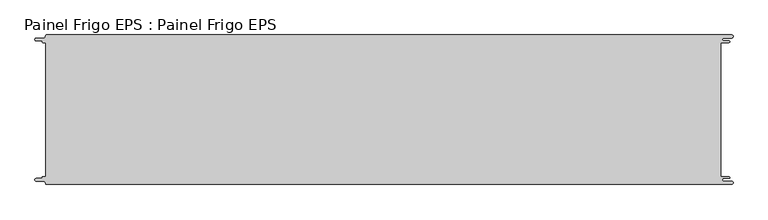
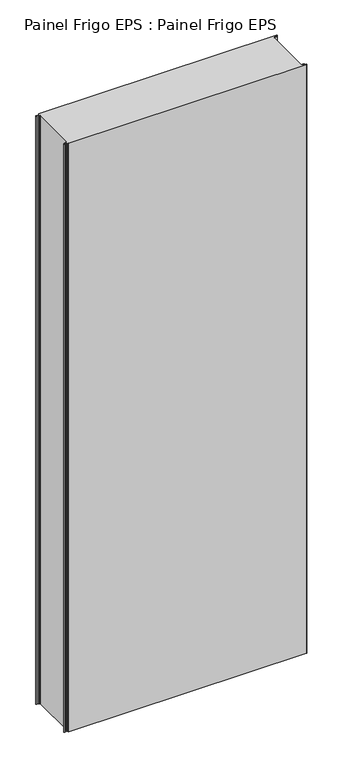
"""IFC4 building model written with IfcOpenShell, lengths in millimetres: proxy geometry, Painel Frigo EPS : Painel Frigo EPS."""

from ifc_helpers import new_model, si_unit, frame, origin, place, context, project, spatial, polyline, circle_curve, source, transform, mapped, element, save
from ifc_brep_helpers import plane_surface, cylinder_surface, revolved_surface, advanced_brep


def painel_frigo_eps_painel_frigo_eps_72b69885(model_context):
    return source(origin(), model_context, "Body", "AdvancedBrep", [
        advanced_brep(
        [(-579.5093748, 112.3, 3000.0), (-574.2218362, 112.3, 3000.0), (-574.2218362, -112.2999995, 3000.0), (-579.5093748, -112.2999995, 3000.0), (-580.1093753, -112.9, 3000.0), (-580.1093753, -113.7085185, 3000.0), (-581.5093753, -115.1085185, 3000.0), (-590.4875, -115.1085185, 3000.0), (-590.4875, -119.5085185, 3000.0), (-578.471875, -119.5085185, 3000.0), (-574.921875, -123.0585185, 3000.0), (-572.971875, -125.0, 3000.0), (572.284375, -125.0, 3000.0), (572.284375, -119.725, 3000.0), (559.378125, -119.725, 3000.0), (559.378125, -114.875, 3000.0), (568.0406253, -114.875, 3000.0), (568.0406253, -112.3, 3000.0), (554.1906253, -112.3, 3000.0), (554.1906253, 112.3, 3000.0), (568.0406253, 112.3, 3000.0), (568.0406253, 114.875, 3000.0), (559.378125, 114.875, 3000.0), (559.378125, 119.725, 3000.0), (572.284375, 119.725, 3000.0), (572.284375, 125.0, 3000.0), (-572.971875, 125.0, 3000.0), (-574.921875, 123.05, 3000.0), (-578.471875, 119.5085185, 3000.0), (-590.4875, 119.5085185, 3000.0), (-590.4875, 115.1085187, 3000.0), (-581.5093751, 115.1085187, 3000.0), (-580.1093748, 113.7085184, 3000.0), (-580.1093748, 112.9, 3000.0), (-579.5093748, 112.3, 0.0), (-580.1093748, 112.9, 0.0), (-580.1093748, 113.7085184, 0.0), (-581.5093751, 115.1085187, 0.0), (-590.4875, 115.1085187, 0.0), (-590.4875, 119.5085185, 0.0), (-578.471875, 119.5085185, 0.0), (-574.921875, 123.0585185, 0.0), (-572.971875, 125.0, 0.0), (572.284375, 125.0, 0.0), (572.284375, 119.725, 0.0), (559.378125, 119.725, 0.0), (559.378125, 114.875, 0.0), (568.0406253, 114.875, 0.0), (568.0406253, 112.3, 0.0), (554.1906253, 112.3, 0.0), (554.1906253, -112.3, 0.0), (568.0406253, -112.3, 0.0), (568.0406253, -114.875, 0.0), (559.378125, -114.875, 0.0), (559.378125, -119.725, 0.0), (572.284375, -119.725, 0.0), (572.284375, -125.0, 0.0), (-572.971875, -125.0, 0.0), (-574.921875, -123.05, 0.0), (-578.471875, -119.5085185, 0.0), (-590.4875, -119.5085185, 0.0), (-590.4875, -115.1085185, 0.0), (-581.5093753, -115.1085185, 0.0), (-580.1093753, -113.7085185, 0.0), (-580.1093753, -112.9, 0.0), (-579.5093748, -112.2999995, 0.0), (-574.2218362, -112.2999995, 0.0), (-574.2218362, 112.3, 0.0)],
        [
            (0, 1),
            (1, 2),
            (2, 3),
            (3, 4, circle_curve(frame((-579.5093748, -112.9, 3000.0), z_axis=(0.0, 0.0, 1.0), x_axis=(1.0, 0.0, 0.0)), 0.6000005)),
            (4, 5),
            (5, 6, circle_curve(frame((-581.5093753, -113.7085185, 3000.0), z_axis=(0.0, 0.0, -1.0), x_axis=(1.0, 0.0, 0.0)), 1.4)),
            (6, 7),
            (7, 8, circle_curve(frame((-590.4875, -117.3085185, 3000.0), z_axis=(0.0, 0.0, 1.0), x_axis=(1.0, 0.0, 0.0)), 2.2)),
            (8, 9),
            (9, 10, circle_curve(frame((-578.471875, -123.0585185, 3000.0), z_axis=(0.0, 0.0, -1.0), x_axis=(1.0, 0.0, 0.0)), 3.55)),
            (10, 11, circle_curve(frame((-572.971875, -123.05, 3000.0), z_axis=(0.0, 0.0, 1.0), x_axis=(1.0, 0.0, 0.0)), 1.95)),
            (11, 12),
            (12, 13, circle_curve(frame((572.284375, -122.3625, 3000.0), z_axis=(0.0, 0.0, 1.0), x_axis=(1.0, 0.0, 0.0)), 2.6375)),
            (13, 14),
            (14, 15, circle_curve(frame((559.378125, -117.3, 3000.0), z_axis=(0.0, 0.0, -1.0), x_axis=(1.0, 0.0, 0.0)), 2.425)),
            (15, 16),
            (16, 17, circle_curve(frame((568.0406253, -113.5875, 3000.0), z_axis=(0.0, 0.0, 1.0), x_axis=(1.0, 0.0, 0.0)), 1.2875)),
            (17, 18),
            (18, 19),
            (19, 20),
            (20, 21, circle_curve(frame((568.0406253, 113.5875, 3000.0), z_axis=(0.0, 0.0, 1.0), x_axis=(1.0, 0.0, 0.0)), 1.2875)),
            (21, 22),
            (22, 23, circle_curve(frame((559.378125, 117.3, 3000.0), z_axis=(0.0, 0.0, -1.0), x_axis=(1.0, 0.0, 0.0)), 2.425)),
            (23, 24),
            (24, 25, circle_curve(frame((572.284375, 122.3625, 3000.0), z_axis=(0.0, 0.0, 1.0), x_axis=(1.0, 0.0, 0.0)), 2.6375)),
            (25, 26),
            (26, 27, circle_curve(frame((-572.971875, 123.05, 3000.0), z_axis=(0.0, 0.0, 1.0), x_axis=(1.0, 0.0, 0.0)), 1.95)),
            (27, 28, circle_curve(frame((-578.471875, 123.0585185, 3000.0), z_axis=(0.0, 0.0, -1.0), x_axis=(1.0, 0.0, 0.0)), 3.55)),
            (28, 29),
            (29, 30, circle_curve(frame((-590.4875, 117.3085186, 3000.0), z_axis=(0.0, 0.0, 1.0), x_axis=(1.0, 0.0, 0.0)), 2.1999999)),
            (30, 31),
            (31, 32, circle_curve(frame((-581.5093751, 113.7085184, 3000.0), z_axis=(0.0, 0.0, -1.0), x_axis=(1.0, 0.0, 0.0)), 1.4000003)),
            (32, 33),
            (33, 0, circle_curve(frame((-579.5093748, 112.9, 3000.0), z_axis=(0.0, 0.0, 1.0), x_axis=(1.0, 0.0, 0.0)), 0.6)),
            (34, 35, circle_curve(frame((-579.5093748, 112.9, 0.0), z_axis=(0.0, 0.0, -1.0), x_axis=(1.0, 0.0, 0.0)), 0.6)),
            (35, 36),
            (36, 37, circle_curve(frame((-581.5093751, 113.7085184, 0.0), z_axis=(0.0, 0.0, 1.0), x_axis=(1.0, 0.0, 0.0)), 1.4000003)),
            (37, 38),
            (38, 39, circle_curve(frame((-590.4875, 117.3085186, 0.0), z_axis=(0.0, 0.0, -1.0), x_axis=(1.0, 0.0, 0.0)), 2.1999999)),
            (39, 40),
            (40, 41, circle_curve(frame((-578.471875, 123.0585185, 0.0), z_axis=(0.0, 0.0, 1.0), x_axis=(1.0, 0.0, 0.0)), 3.55)),
            (41, 42, circle_curve(frame((-572.971875, 123.05, 0.0), z_axis=(0.0, 0.0, -1.0), x_axis=(1.0, 0.0, 0.0)), 1.95)),
            (42, 43),
            (43, 44, circle_curve(frame((572.284375, 122.3625, 0.0), z_axis=(0.0, 0.0, -1.0), x_axis=(1.0, 0.0, 0.0)), 2.6375)),
            (44, 45),
            (45, 46, circle_curve(frame((559.378125, 117.3, 0.0), z_axis=(0.0, 0.0, 1.0), x_axis=(1.0, 0.0, 0.0)), 2.425)),
            (46, 47),
            (47, 48, circle_curve(frame((568.0406253, 113.5875, 0.0), z_axis=(0.0, 0.0, -1.0), x_axis=(1.0, 0.0, 0.0)), 1.2875)),
            (48, 49),
            (49, 50),
            (50, 51),
            (51, 52, circle_curve(frame((568.0406253, -113.5875, 0.0), z_axis=(0.0, 0.0, -1.0), x_axis=(1.0, 0.0, 0.0)), 1.2875)),
            (52, 53),
            (53, 54, circle_curve(frame((559.378125, -117.3, 0.0), z_axis=(0.0, 0.0, 1.0), x_axis=(1.0, 0.0, 0.0)), 2.425)),
            (54, 55),
            (55, 56, circle_curve(frame((572.284375, -122.3625, 0.0), z_axis=(0.0, 0.0, -1.0), x_axis=(1.0, 0.0, 0.0)), 2.6375)),
            (56, 57),
            (57, 58, circle_curve(frame((-572.971875, -123.05, 0.0), z_axis=(0.0, 0.0, -1.0), x_axis=(1.0, 0.0, 0.0)), 1.95)),
            (58, 59, circle_curve(frame((-578.471875, -123.0585185, 0.0), z_axis=(0.0, 0.0, 1.0), x_axis=(1.0, 0.0, 0.0)), 3.55)),
            (59, 60),
            (60, 61, circle_curve(frame((-590.4875, -117.3085185, 0.0), z_axis=(0.0, 0.0, -1.0), x_axis=(1.0, 0.0, 0.0)), 2.2)),
            (61, 62),
            (62, 63, circle_curve(frame((-581.5093753, -113.7085185, 0.0), z_axis=(0.0, 0.0, 1.0), x_axis=(1.0, 0.0, 0.0)), 1.4)),
            (63, 64),
            (64, 65, circle_curve(frame((-579.5093748, -112.9, 0.0), z_axis=(0.0, 0.0, -1.0), x_axis=(1.0, 0.0, 0.0)), 0.6000005)),
            (65, 66),
            (66, 67),
            (67, 34),
            (11, 57),
            (56, 12),
            (25, 43),
            (42, 26),
            (0, 34),
            (67, 1),
            (66, 2),
            (65, 3),
            (64, 4),
            (63, 5),
            (62, 6),
            (61, 7),
            (60, 8),
            (59, 9),
            (58, 10),
            (18, 50),
            (49, 19),
            (48, 20),
            (47, 21),
            (46, 22),
            (45, 23),
            (44, 24),
            (41, 27),
            (40, 28),
            (39, 29),
            (38, 30),
            (37, 31),
            (36, 32),
            (35, 33),
            (55, 13),
            (54, 14),
            (53, 15),
            (52, 16),
            (51, 17),
        ],
        [
            plane_surface(frame((-574.2218362, 112.3, 3000.0), z_axis=(0.0, 0.0, 1.0), x_axis=(1.0, 0.0, 0.0))),
            plane_surface(frame((-574.2218362, 112.3, 0.0), z_axis=(0.0, 0.0, -1.0), x_axis=(-1.0, 0.0, 0.0))),
            plane_surface(frame((-572.971875, -125.0, 3000.0), z_axis=(0.0, -1.0, 0.0), x_axis=(0.0, 0.0, -1.0))),
            plane_surface(frame((572.284375, 125.0, 3000.0), z_axis=(0.0, 1.0, 0.0), x_axis=(0.0, 0.0, -1.0))),
            plane_surface(frame((-579.5093748, 112.3, 3000.0), z_axis=(0.0, -1.0, 0.0), x_axis=(0.0, 0.0, -1.0))),
            plane_surface(frame((-574.2218362, 112.3, 3000.0), z_axis=(-1.0, 0.0, 0.0), x_axis=(0.0, 0.0, -1.0))),
            plane_surface(frame((-574.2218362, -112.2999995, 3000.0), z_axis=(0.0, 1.0, 0.0), x_axis=(0.0, 0.0, -1.0))),
            cylinder_surface(frame((-579.5093748, -112.9, 0.0), z_axis=(0.0, 0.0, 1.0), x_axis=(1.0, 0.0, 0.0)), 0.6000005),
            plane_surface(frame((-580.1093753, -112.9, 3000.0), z_axis=(-1.0, 1.757860866232952e-12, 0.0), x_axis=(0.0, 0.0, -1.0))),
            revolved_surface(polyline([(-580.1093753, -113.7085185, 0.0), (-580.1093753, -113.7085185, 3000.0)]), (-581.5093753, -113.7085185, 0.0), (0.0, 0.0, -1.0)),
            plane_surface(frame((-581.5093753, -115.1085185, 3000.0), z_axis=(0.0, 1.0, 0.0), x_axis=(0.0, 0.0, -1.0))),
            cylinder_surface(frame((-590.4875, -117.3085185, 0.0), z_axis=(0.0, 0.0, 1.0), x_axis=(1.0, 0.0, 0.0)), 2.2),
            plane_surface(frame((-590.4875, -119.5085185, 3000.0), z_axis=(0.0, -1.0, 0.0), x_axis=(0.0, 0.0, -1.0))),
            revolved_surface(polyline([(-574.921875, -123.0585185, 0.0), (-574.921875, -123.0585185, 3000.0)]), (-578.471875, -123.0585185, 0.0), (0.0, 0.0, -1.0)),
            cylinder_surface(frame((-572.971875, -123.05, 0.0), z_axis=(0.0, 0.0, 1.0), x_axis=(1.0, 0.0, 0.0)), 1.95),
            plane_surface(frame((554.1906253, -112.3, 3000.0), z_axis=(1.0, 0.0, 0.0), x_axis=(0.0, 0.0, -1.0))),
            plane_surface(frame((554.1906253, 112.3, 3000.0), z_axis=(0.0, -1.0, 0.0), x_axis=(0.0, 0.0, -1.0))),
            cylinder_surface(frame((568.0406253, 113.5875, 0.0), z_axis=(0.0, 0.0, 1.0), x_axis=(1.0, 0.0, 0.0)), 1.2875),
            plane_surface(frame((568.0406253, 114.875, 3000.0), z_axis=(0.0, 1.0, 0.0), x_axis=(0.0, 0.0, -1.0))),
            revolved_surface(polyline([(561.8031249999999, 117.3, 0.0), (561.8031249999999, 117.3, 3000.0)]), (559.378125, 117.3, 0.0), (0.0, 0.0, -1.0)),
            plane_surface(frame((559.378125, 119.725, 3000.0), z_axis=(0.0, -1.0, 0.0), x_axis=(0.0, 0.0, -1.0))),
            cylinder_surface(frame((572.284375, 122.3625, 0.0), z_axis=(0.0, 0.0, 1.0), x_axis=(1.0, 0.0, 0.0)), 2.6375),
            cylinder_surface(frame((-572.971875, 123.05, 0.0), z_axis=(0.0, 0.0, 1.0), x_axis=(1.0, 0.0, 0.0)), 1.95),
            revolved_surface(polyline([(-574.921875, 123.0585185, 0.0), (-574.921875, 123.0585185, 3000.0)]), (-578.471875, 123.0585185, 0.0), (0.0, 0.0, -1.0)),
            plane_surface(frame((-578.471875, 119.5085185, 3000.0), z_axis=(0.0, 1.0, 0.0), x_axis=(0.0, 0.0, -1.0))),
            cylinder_surface(frame((-590.4875, 117.3085186, 0.0), z_axis=(0.0, 0.0, 1.0), x_axis=(1.0, 0.0, 0.0)), 2.1999999),
            plane_surface(frame((-590.4875, 115.1085187, 3000.0), z_axis=(0.0, -1.0, 0.0), x_axis=(0.0, 0.0, -1.0))),
            revolved_surface(polyline([(-580.1093748000001, 113.7085184, 0.0), (-580.1093748000001, 113.7085184, 3000.0)]), (-581.5093751, 113.7085184, 0.0), (0.0, 0.0, -1.0)),
            plane_surface(frame((-580.1093748, 113.7085184, 3000.0), z_axis=(-1.0, 0.0, 0.0), x_axis=(0.0, 0.0, -1.0))),
            cylinder_surface(frame((-579.5093748, 112.9, 0.0), z_axis=(0.0, 0.0, 1.0), x_axis=(1.0, 0.0, 0.0)), 0.6),
            cylinder_surface(frame((572.284375, -122.3625, 0.0), z_axis=(0.0, 0.0, 1.0), x_axis=(1.0, 0.0, 0.0)), 2.6375),
            plane_surface(frame((572.284375, -119.725, 3000.0), z_axis=(0.0, 1.0, 0.0), x_axis=(0.0, 0.0, -1.0))),
            revolved_surface(polyline([(561.8031249999999, -117.3, 0.0), (561.8031249999999, -117.3, 3000.0)]), (559.378125, -117.3, 0.0), (0.0, 0.0, -1.0)),
            plane_surface(frame((559.378125, -114.875, 3000.0), z_axis=(0.0, -1.0, 0.0), x_axis=(0.0, 0.0, -1.0))),
            cylinder_surface(frame((568.0406253, -113.5875, 0.0), z_axis=(0.0, 0.0, 1.0), x_axis=(1.0, 0.0, 0.0)), 1.2875),
            plane_surface(frame((568.0406253, -112.3, 3000.0), z_axis=(0.0, 1.0, 0.0), x_axis=(0.0, 0.0, -1.0))),
        ],
        [
            (0, [[1, 2, 3, 4, 5, 6, 7, 8, 9, 10, 11, 12, 13, 14, 15, 16, 17, 18, 19, 20, 21, 22, 23, 24, 25, 26, 27, 28, 29, 30, 31, 32, 33, 34]]),
            (1, [[35, 36, 37, 38, 39, 40, 41, 42, 43, 44, 45, 46, 47, 48, 49, 50, 51, 52, 53, 54, 55, 56, 57, 58, 59, 60, 61, 62, 63, 64, 65, 66, 67, 68]]),
            (2, [[-12, 69, -57, 70]]),
            (3, [[-26, 71, -43, 72]]),
            (4, [[-1, 73, -68, 74]]),
            (5, [[-2, -74, -67, 75]]),
            (6, [[-3, -75, -66, 76]]),
            (7, [[-4, -76, -65, 77]]),
            (8, [[-5, -77, -64, 78]]),
            (9, [[-6, -78, -63, 79]]),
            (10, [[-7, -79, -62, 80]]),
            (11, [[-8, -80, -61, 81]]),
            (12, [[-9, -81, -60, 82]]),
            (13, [[-10, -82, -59, 83]]),
            (14, [[-11, -83, -58, -69]]),
            (15, [[-19, 84, -50, 85]]),
            (16, [[-20, -85, -49, 86]]),
            (17, [[-21, -86, -48, 87]]),
            (18, [[-22, -87, -47, 88]]),
            (19, [[-23, -88, -46, 89]]),
            (20, [[-24, -89, -45, 90]]),
            (21, [[-25, -90, -44, -71]]),
            (22, [[-27, -72, -42, 91]]),
            (23, [[-28, -91, -41, 92]]),
            (24, [[-29, -92, -40, 93]]),
            (25, [[-30, -93, -39, 94]]),
            (26, [[-31, -94, -38, 95]]),
            (27, [[-32, -95, -37, 96]]),
            (28, [[-33, -96, -36, 97]]),
            (29, [[-34, -97, -35, -73]]),
            (30, [[-13, -70, -56, 98]]),
            (31, [[-14, -98, -55, 99]]),
            (32, [[-15, -99, -54, 100]]),
            (33, [[-16, -100, -53, 101]]),
            (34, [[-17, -101, -52, 102]]),
            (35, [[-18, -102, -51, -84]]),
        ],
    ),
    ])


if __name__ == "__main__":
    model = new_model("IFC4")
    model_context = context("Model", 3, world=origin())
    ifc_project = project(units=[si_unit("LENGTHUNIT", "METRE", prefix="MILLI")], contexts=[model_context])
    site = spatial("IfcSite", under=ifc_project)
    building = spatial("IfcBuilding", under=site)
    placement = place(None, origin())
    painel_frigo_eps_painel_frigo_eps_shape = painel_frigo_eps_painel_frigo_eps_72b69885(model_context)
    element("IfcBuildingElementProxy", 1, Name="Painel Frigo EPS : Painel Frigo EPS", ObjectType="Painel Frigo EPS : Painel Frigo EPS", at=placement, inside=building, context=model_context, shape_type="MappedRepresentation", body=[
        mapped(painel_frigo_eps_painel_frigo_eps_shape, transform((0.0, 0.0, 0.0), x_axis=(1.0, 0.0, 0.0), y_axis=(0.0, 1.0, 0.0), z_axis=(0.0, 0.0, 1.0))),
    ])
    save(model, "model.ifc")
